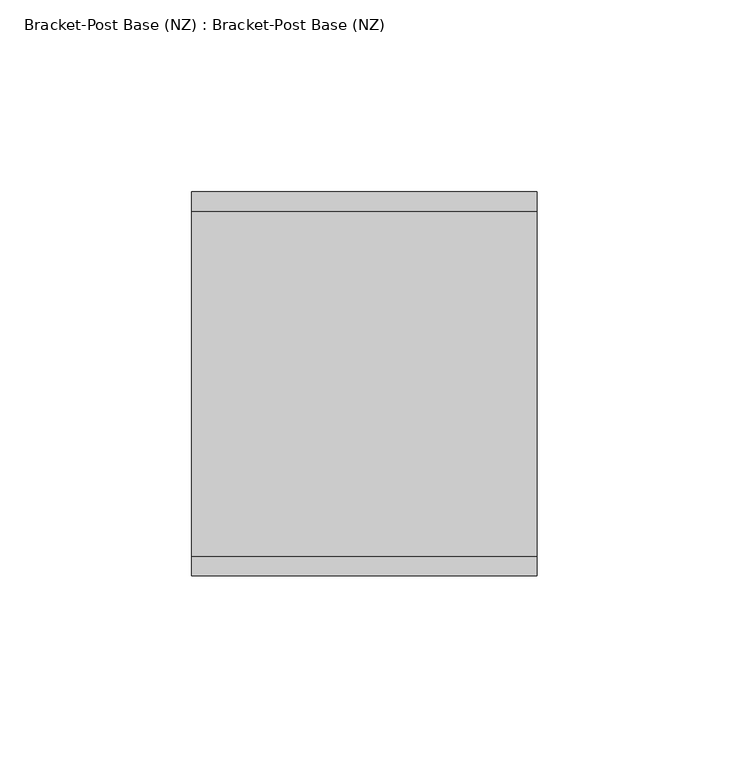
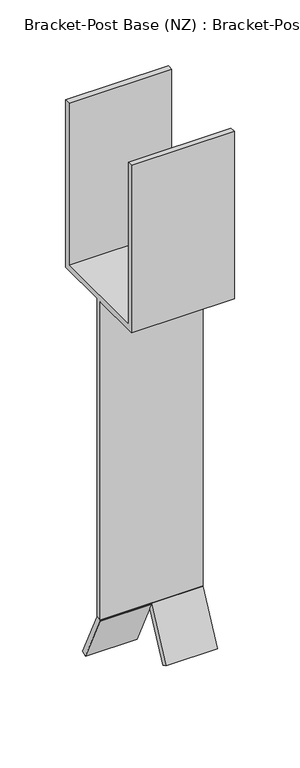
"""IFC4 building model written with IfcOpenShell, lengths in millimetres: proxy geometry, Bracket-Post Base (NZ) : Bracket-Post Base (NZ)."""

from ifc_helpers import new_model, si_unit, frame, origin, place, context, project, spatial, polyline, outline, extrude, source, transform, mapped, element, save


def bracket_post_base_nz_bracket_post_base_nz_c5f46d0a(model_context):
    return source(origin(), model_context, "Body", "SweptSolid", [
        extrude(outline(polyline([(-22.6347623, -194.9397023), (-0.7509924, -150.0713248), (4.2793588, -150.0713248), (4.2793588, -151.1634366), (-18.1407921, -197.131558), (-22.6347623, -194.9397023)])), frame((49.3643985, 0.0, 0.0), z_axis=(1.0, 0.0, 0.0), x_axis=(0.0, 1.0, 0.0)), (0.0, 0.0, 1.0), 45.0),
        extrude(outline(polyline([(25.9719282, -194.9397023), (21.477958, -197.131558), (-0.9421929, -151.1634366), (-0.9421929, -150.0713248), (4.0881583, -150.0713248), (25.9719282, -194.9397023)])), frame((4.3643985, 0.0, 0.0), z_axis=(1.0, 0.0, 0.0), x_axis=(0.0, 1.0, 0.0)), (0.0, 0.0, 1.0), 45.0),
        extrude(outline(polyline([(46.5533709, 150.0), (46.5533709, 300.0), (51.5533709, 300.0), (51.5533709, 145.0), (4.0533709, 145.0), (4.0533709, -150.0), (-0.9466291, -150.0), (-0.9466291, 145.0), (-48.4466291, 145.0), (-48.4466291, 300.0), (-43.4466291, 300.0), (-43.4466291, 150.0), (46.5533709, 150.0)])), frame((4.3643985, 0.0, 0.0), z_axis=(1.0, 0.0, 0.0), x_axis=(0.0, 1.0, 0.0)), (0.0, 0.0, 1.0), 90.0),
    ])


if __name__ == "__main__":
    model = new_model("IFC4")
    model_context = context("Model", 3, world=origin())
    ifc_project = project(units=[si_unit("LENGTHUNIT", "METRE", prefix="MILLI")], contexts=[model_context])
    site = spatial("IfcSite", under=ifc_project)
    building = spatial("IfcBuilding", under=site)
    placement = place(None, origin())
    bracket_post_base_nz_bracket_post_base_nz_shape = bracket_post_base_nz_bracket_post_base_nz_c5f46d0a(model_context)
    element("IfcBuildingElementProxy", 1, Name="Bracket-Post Base (NZ) : Bracket-Post Base (NZ)", ObjectType="Bracket-Post Base (NZ) : Bracket-Post Base (NZ)", at=placement, inside=building, context=model_context, shape_type="MappedRepresentation", body=[
        mapped(bracket_post_base_nz_bracket_post_base_nz_shape, transform((0.0, 0.0, 0.0), x_axis=(1.0, 0.0, 0.0), y_axis=(0.0, 1.0, 0.0), z_axis=(0.0, 0.0, 1.0))),
    ])
    save(model, "model.ifc")
